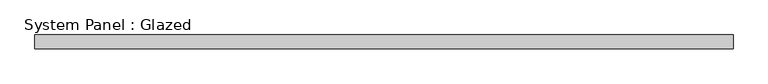
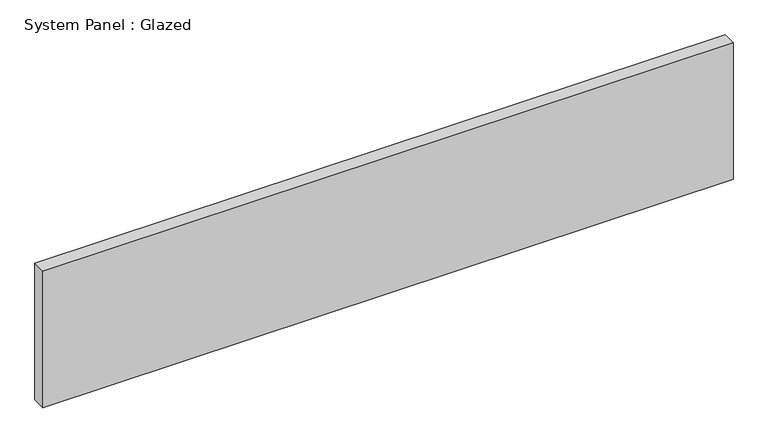
"""IFC4 building model written with IfcOpenShell, lengths in millimetres: plate geometry, System Panel : Glazed."""

from ifc_helpers import new_model, si_unit, origin, origin_with_axes, place, context, project, spatial, polyline, outline, extrude, source, transform, mapped, element, save


def system_panel_glazed_48f322dc(model_context):
    return source(origin(), model_context, "Body", "SweptSolid", [
        extrude(outline(polyline([(622.0, 24.5), (-622.0, 24.5), (-622.0, 49.5), (622.0, 49.5), (622.0, 24.5)])), origin_with_axes(), (0.0, 0.0, 1.0), 260.0),
    ])


if __name__ == "__main__":
    model = new_model("IFC4")
    model_context = context("Model", 3, world=origin())
    ifc_project = project(units=[si_unit("LENGTHUNIT", "METRE", prefix="MILLI")], contexts=[model_context])
    site = spatial("IfcSite", under=ifc_project)
    building = spatial("IfcBuilding", under=site)
    placement = place(None, origin())
    system_panel_glazed_shape = system_panel_glazed_48f322dc(model_context)
    element("IfcPlate", 1, ObjectType="System Panel : Glazed", at=placement, inside=building, context=model_context, shape_type="MappedRepresentation", body=[
        mapped(system_panel_glazed_shape, transform((0.0, 0.0, 0.0), x_axis=(1.0, 0.0, 0.0), y_axis=(0.0, 1.0, 0.0), z_axis=(0.0, 0.0, 1.0))),
    ])
    save(model, "model.ifc")
